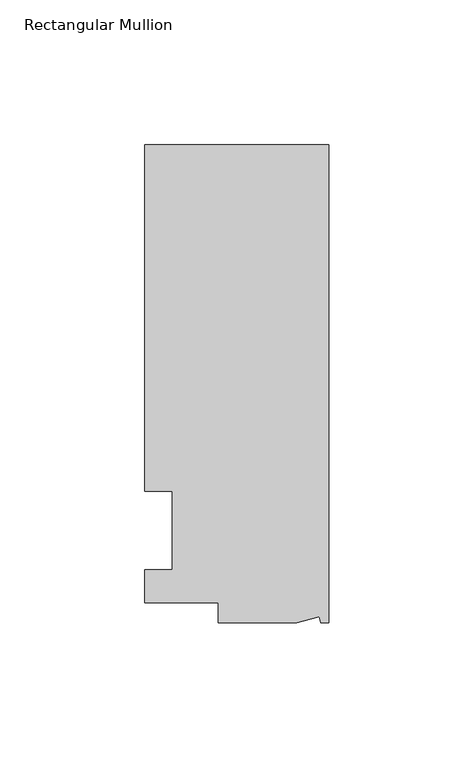
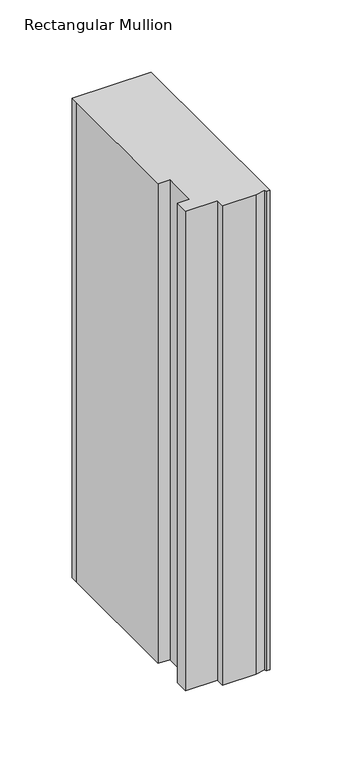
"""IFC4 building model written with IfcOpenShell, lengths in millimetres: member geometry, Rectangular Mullion."""

from ifc_helpers import new_model, si_unit, frame, origin, place, context, project, spatial, polyline, outline, extrude, source, transform, mapped, element, save


def rectangular_mullion_8b59c442(model_context):
    return source(origin(), model_context, "Body", "SweptSolid", [
        extrude(outline(polyline([(0.0, 131.0674452), (0.0, -34.0325548), (-2.7630634, -34.0325548), (-3.3223696, -31.9451957), (-11.1125, -34.0325548), (-38.1, -34.0325548), (-38.1, -27.0729548), (-63.5, -27.0729548), (-63.5, -15.6924375), (-53.975, -15.6924375), (-53.975, 11.3942812), (-63.5, 11.3942812), (-63.5, 124.7174452), (-63.5, 131.0674452), (0.0, 131.0674452)])), frame((0.0, 0.0, -406.4), z_axis=(0.0, 0.0, 1.0), x_axis=(1.0, 0.0, 0.0)), (0.0, 0.0, 1.0), 406.4),
    ])


if __name__ == "__main__":
    model = new_model("IFC4")
    model_context = context("Model", 3, world=origin())
    ifc_project = project(units=[si_unit("LENGTHUNIT", "METRE", prefix="MILLI")], contexts=[model_context])
    site = spatial("IfcSite", under=ifc_project)
    building = spatial("IfcBuilding", under=site)
    placement = place(None, origin())
    rectangular_mullion_shape = rectangular_mullion_8b59c442(model_context)
    element("IfcMember", 1, ObjectType="Rectangular Mullion", at=placement, inside=building, context=model_context, shape_type="MappedRepresentation", body=[
        mapped(rectangular_mullion_shape, transform((0.0, 0.0, 0.0), x_axis=(1.0, 0.0, 0.0), y_axis=(0.0, 1.0, 0.0), z_axis=(0.0, 0.0, 1.0))),
    ])
    save(model, "model.ifc")
